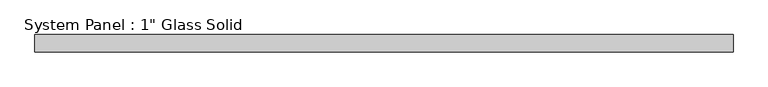
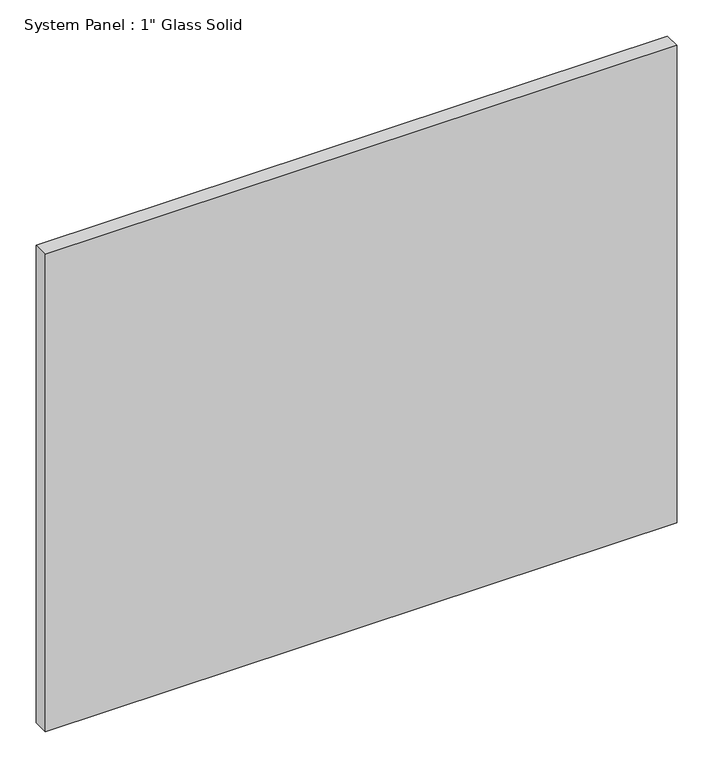
"""IFC4 building model written with IfcOpenShell, lengths in millimetres: plate geometry."""

from ifc_helpers import new_model, si_unit, origin, origin_with_axes, place, context, project, spatial, polyline, outline, extrude, source, transform, mapped, element, save


def plate_a287a52d(model_context):
    return source(origin(), model_context, "Body", "SweptSolid", [
        extrude(outline(polyline([(504.825, -12.7), (-504.825, -12.7), (-504.825, 12.7), (504.825, 12.7), (504.825, -12.7)])), origin_with_axes(), (0.0, 0.0, 1.0), 806.45),
    ])


if __name__ == "__main__":
    model = new_model("IFC4")
    model_context = context("Model", 3, world=origin())
    ifc_project = project(units=[si_unit("LENGTHUNIT", "METRE", prefix="MILLI")], contexts=[model_context])
    site = spatial("IfcSite", under=ifc_project)
    building = spatial("IfcBuilding", under=site)
    placement = place(None, origin())
    plate_shape = plate_a287a52d(model_context)
    element("IfcPlate", 1, ObjectType="System Panel : 1\" Glass Solid", at=placement, inside=building, context=model_context, shape_type="MappedRepresentation", body=[
        mapped(plate_shape, transform((0.0, 0.0, 0.0), x_axis=(1.0, 0.0, 0.0), y_axis=(0.0, 1.0, 0.0), z_axis=(0.0, 0.0, 1.0))),
    ])
    save(model, "model.ifc")
